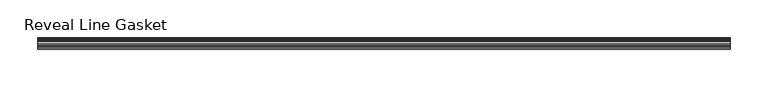
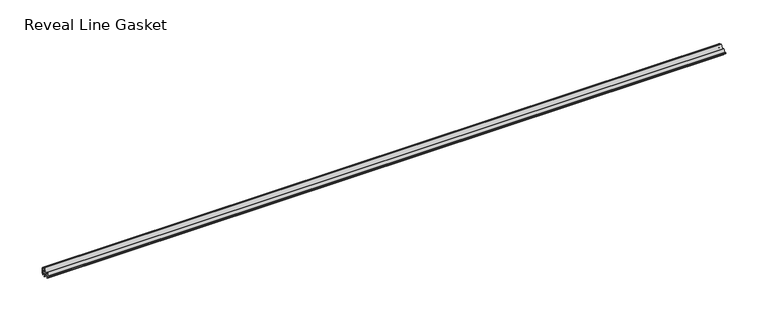
"""IFC4 building model written with IfcOpenShell, lengths in millimetres: furniture geometry, Reveal Line Gasket."""

from ifc_helpers import new_model, si_unit, point, frame, frame_2d, origin, place, context, project, spatial, polyline, circle_curve, trimmed, segment, composite_curve, outline, extrude, source, transform, mapped, element, save


def reveal_line_gasket_3ff7a8d7(model_context):
    return source(origin(), model_context, "Body", "SweptSolid", [
        extrude(outline(composite_curve([segment(polyline([(7.6326998, 1603.2), (7.6326998, 1597.2), (7.4091917, 1596.2445073), (6.8813059, 1595.3115316)]), True, "CONTINUOUS"), segment(trimmed(circle_curve(frame_2d((6.5243141, 1595.5135207)), 0.4101739), [point((6.8813059, 1595.3115316))], [point((6.1246704, 1595.6058653))], False, "CARTESIAN"), True, "CONTINUOUS"), segment(polyline([(6.1246704, 1595.6058653), (6.3626997, 1597.3020914), (6.3626997, 1599.3345473)]), True, "CONTINUOUS"), segment(trimmed(circle_curve(frame_2d((5.6959605, 1598.9180742)), 0.786124), [point((6.3626997, 1599.3345473))], [point((5.0926996, 1599.422125))], True, "CARTESIAN"), True, "CONTINUOUS"), segment(polyline([(5.0926996, 1599.422125), (0.7492996, 1599.422125), (3.7293824, 1594.2604705)]), True, "CONTINUOUS"), segment(trimmed(circle_curve(frame_2d((3.3132479, 1594.1950239)), 0.4212495), [point((3.7293824, 1594.2604705))], [point((3.0485022, 1593.8673642))], False, "CARTESIAN"), True, "CONTINUOUS"), segment(polyline([(3.0485022, 1593.8673642), (-0.5742594, 1599.422125), (-4.8262978, 1599.422125), (-3.1660374, 1596.5464703)]), True, "CONTINUOUS"), segment(trimmed(circle_curve(frame_2d((-3.5978728, 1596.4881145)), 0.4357605), [point((-3.1660374, 1596.5464703))], [point((-3.864328, 1596.1433119))], False, "CARTESIAN"), True, "CONTINUOUS"), segment(polyline([(-3.864328, 1596.1433119), (-6.1944059, 1599.422125), (-7.6326998, 1599.422125), (-7.6326998, 1600.977875), (-6.1944059, 1600.977875), (-3.864328, 1604.2566881)]), True, "CONTINUOUS"), segment(trimmed(circle_curve(frame_2d((-3.5978728, 1603.9118855)), 0.4357605), [point((-3.864328, 1604.2566881))], [point((-3.1660374, 1603.8535297))], False, "CARTESIAN"), True, "CONTINUOUS"), segment(polyline([(-3.1660374, 1603.8535297), (-4.8262978, 1600.977875), (-0.5742594, 1600.977875), (3.0485022, 1606.5326358)]), True, "CONTINUOUS"), segment(trimmed(circle_curve(frame_2d((3.3132479, 1606.2049761)), 0.4212495), [point((3.0485022, 1606.5326358))], [point((3.7293824, 1606.1395295))], False, "CARTESIAN"), True, "CONTINUOUS"), segment(polyline([(3.7293824, 1606.1395295), (0.7492996, 1600.977875), (5.0926996, 1600.977875)]), True, "CONTINUOUS"), segment(trimmed(circle_curve(frame_2d((5.6959605, 1601.4819258)), 0.786124), [point((5.0926996, 1600.977875))], [point((6.3626997, 1601.0654527))], True, "CARTESIAN"), True, "CONTINUOUS"), segment(polyline([(6.3626997, 1601.0654527), (6.3626997, 1603.0979086), (6.1246704, 1604.7941347)]), True, "CONTINUOUS"), segment(trimmed(circle_curve(frame_2d((6.5243141, 1604.8864793)), 0.4101739), [point((6.1246704, 1604.7941347))], [point((6.8813059, 1605.0884684))], False, "CARTESIAN"), True, "CONTINUOUS"), segment(polyline([(6.8813059, 1605.0884684), (7.4091917, 1604.1554927), (7.6326998, 1603.2)]), True, "CONTINUOUS")], self_intersect=False)), frame((-460.6862302, 0.0, 0.0), z_axis=(1.0, 0.0, 0.0), x_axis=(0.0, 1.0, 0.0)), (0.0, 0.0, 1.0), 921.3724603),
    ])


if __name__ == "__main__":
    model = new_model("IFC4")
    model_context = context("Model", 3, world=origin())
    ifc_project = project(units=[si_unit("LENGTHUNIT", "METRE", prefix="MILLI")], contexts=[model_context])
    site = spatial("IfcSite", under=ifc_project)
    building = spatial("IfcBuilding", under=site)
    placement = place(None, origin())
    reveal_line_gasket_shape = reveal_line_gasket_3ff7a8d7(model_context)
    element("IfcFurniture", 1, ObjectType="Reveal Line Gasket", at=placement, inside=building, context=model_context, shape_type="MappedRepresentation", body=[
        mapped(reveal_line_gasket_shape, transform((0.0, 0.0, 0.0), x_axis=(1.0, 0.0, 0.0), y_axis=(0.0, 1.0, 0.0), z_axis=(0.0, 0.0, 1.0))),
    ])
    save(model, "model.ifc")
